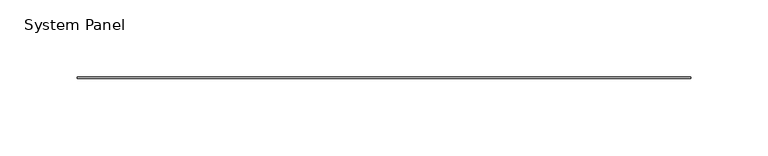
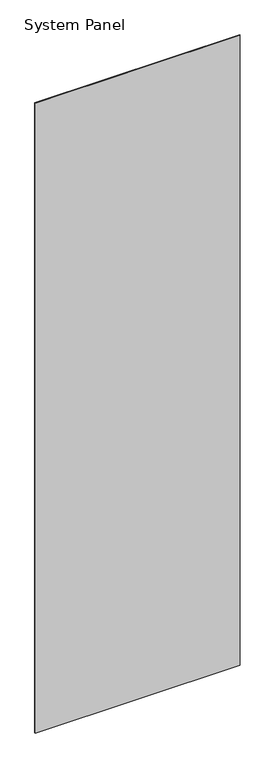
"""IFC4 building model written with IfcOpenShell, lengths in millimetres: plate geometry, System Panel."""

from ifc_helpers import new_model, si_unit, origin, origin_with_axes, place, context, project, spatial, polyline, outline, extrude, source, transform, mapped, element, save


def system_panel_8a177d29(model_context):
    return source(origin(), model_context, "Body", "SweptSolid", [
        extrude(outline(polyline([(198.1200002, -0.396875), (-198.1200002, -0.396875), (-198.1200002, 0.396875), (198.1200002, 0.396875), (198.1200002, -0.396875)])), origin_with_axes(), (0.0, 0.0, 1.0), 1285.875),
    ])


if __name__ == "__main__":
    model = new_model("IFC4")
    model_context = context("Model", 3, world=origin())
    ifc_project = project(units=[si_unit("LENGTHUNIT", "METRE", prefix="MILLI")], contexts=[model_context])
    site = spatial("IfcSite", under=ifc_project)
    building = spatial("IfcBuilding", under=site)
    placement = place(None, origin())
    system_panel_shape = system_panel_8a177d29(model_context)
    element("IfcPlate", 1, ObjectType="System Panel", at=placement, inside=building, context=model_context, shape_type="MappedRepresentation", body=[
        mapped(system_panel_shape, transform((0.0, 0.0, 0.0), x_axis=(1.0, 0.0, 0.0), y_axis=(0.0, 1.0, 0.0), z_axis=(0.0, 0.0, 1.0))),
    ])
    save(model, "model.ifc")
